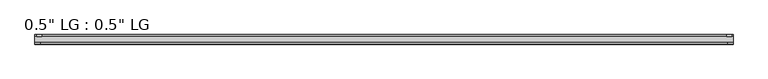
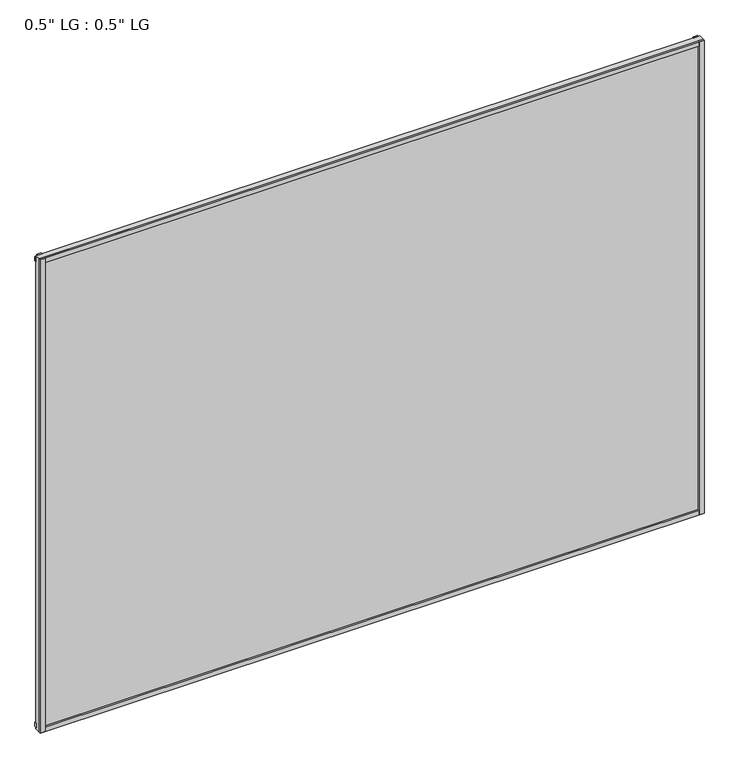
"""IFC4 building model written with IfcOpenShell, lengths in millimetres: plate geometry."""

from ifc_helpers import new_model, si_unit, frame, origin, origin_with_axes, place, context, project, spatial, polyline, outline, extrude, source, transform, mapped, element, save


def plate_1f83d804(model_context):
    return source(origin(), model_context, "Body", "SweptSolid", [
        extrude(outline(polyline([(825.5, -33.3271813), (825.5, -38.0007813), (813.3623204, -38.0007813), (813.3623204, -33.3271813), (825.5, -33.3271813)])), origin_with_axes(), (0.0, 0.0, 1.0), 1243.7923299),
        extrude(outline(polyline([(821.9686463, -15.5217813), (821.9686463, -19.7127813), (809.9562225, -19.7127813), (809.9562225, -15.5217813), (821.9686463, -15.5217813)])), origin_with_axes(), (0.0, 0.0, 1.0), 1243.7923299),
        extrude(outline(polyline([(-813.209422, -38.0007812), (-825.5, -38.0007812), (-825.5, -33.3271813), (-813.209422, -33.3271813), (-813.209422, -38.0007812)])), origin_with_axes(), (0.0, 0.0, 1.0), 1243.7923299),
        extrude(outline(polyline([(-809.2501841, -19.7127813), (-821.5407621, -19.7127813), (-821.5407621, -15.5217812), (-809.2501841, -15.5217812), (-809.2501841, -19.7127813)])), origin_with_axes(), (0.0, 0.0, 1.0), 1243.7923299),
        extrude(outline(polyline([(825.5, -33.3271813), (825.5, -38.0007813), (-825.5, -38.0007812), (-825.5, -33.3271813), (825.5, -33.3271813)])), origin_with_axes(), (0.0, 0.0, 1.0), 11.1693096),
        extrude(outline(polyline([(825.5, -15.3590708), (825.5, -20.1364307), (-825.5, -20.1364307), (-825.5, -15.3590708), (825.5, -15.3590708)])), frame((0.0, 0.0, 3.848913), z_axis=(0.0, 0.0, 1.0), x_axis=(1.0, 0.0, 0.0)), (0.0, 0.0, 1.0), 11.1693096),
        extrude(outline(polyline([(825.5, -33.3271813), (825.5, -38.0007813), (-825.5, -38.0007812), (-825.5, -33.3271812), (825.5, -33.3271813)])), frame((0.0, 0.0, 1232.611224), z_axis=(0.0, 0.0, 1.0), x_axis=(1.0, 0.0, 0.0)), (0.0, 0.0, 1.0), 11.1811058),
        extrude(outline(polyline([(825.5, -15.5217813), (825.5, -19.7127813), (-825.5, -19.7127812), (-825.5, -15.5217813), (825.5, -15.5217813)])), frame((0.0, 0.0, 1228.0520773), z_axis=(0.0, 0.0, 1.0), x_axis=(1.0, 0.0, 0.0)), (0.0, 0.0, 1.0), 11.1811058),
        extrude(outline(polyline([(825.5, -33.3271812), (-825.5, -33.3271812), (-825.5, -19.7127812), (825.5, -19.7127812), (825.5, -33.3271812)])), origin_with_axes(), (0.0, 0.0, 1.0), 1243.7923299),
    ])


if __name__ == "__main__":
    model = new_model("IFC4")
    model_context = context("Model", 3, world=origin())
    ifc_project = project(units=[si_unit("LENGTHUNIT", "METRE", prefix="MILLI")], contexts=[model_context])
    site = spatial("IfcSite", under=ifc_project)
    building = spatial("IfcBuilding", under=site)
    placement = place(None, origin())
    plate_shape = plate_1f83d804(model_context)
    element("IfcPlate", 1, ObjectType="0.5\" LG : 0.5\" LG", at=placement, inside=building, context=model_context, shape_type="MappedRepresentation", body=[
        mapped(plate_shape, transform((0.0, 0.0, 0.0), x_axis=(1.0, 0.0, 0.0), y_axis=(0.0, 1.0, 0.0), z_axis=(0.0, 0.0, 1.0))),
    ])
    save(model, "model.ifc")
